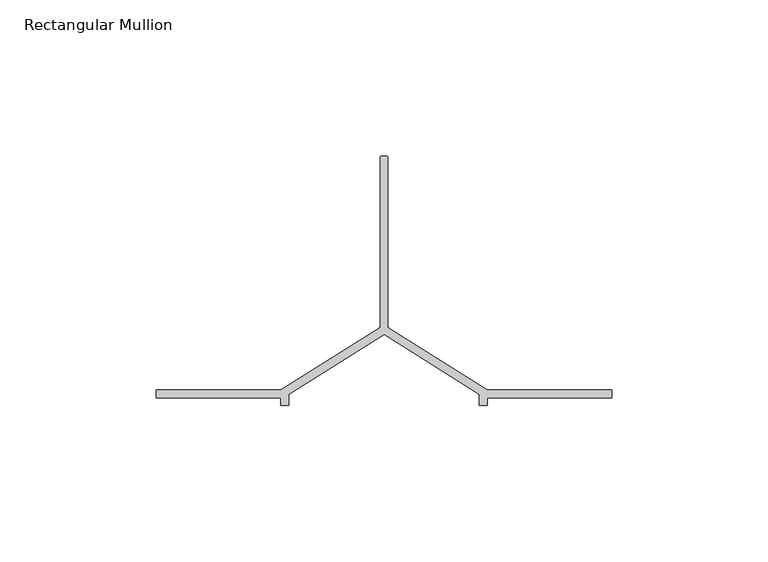
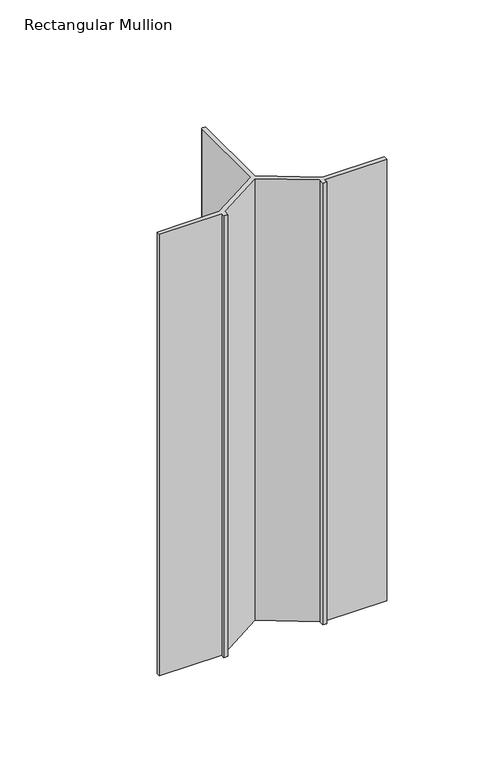
"""IFC4 building model written with IfcOpenShell, lengths in millimetres: member geometry, Rectangular Mullion."""

from ifc_helpers import new_model, si_unit, point, frame, frame_2d, origin, place, context, project, spatial, polyline, circle_curve, trimmed, segment, composite_curve, outline, extrude, source, transform, mapped, element, save


def rectangular_mullion_ad99e8e6(model_context):
    return source(origin(), model_context, "Body", "SweptSolid", [
        extrude(outline(composite_curve([segment(trimmed(circle_curve(frame_2d((-72.25, -69.0)), 0.5), [point((-72.25, -68.5))], [point((-71.75, -69.0))], False, "CARTESIAN"), True, "CONTINUOUS"), segment(polyline([(-71.75, -69.0), (-71.75, -123.5), (-40.0, -143.5), (0.0, -143.5), (0.0, -146.0), (-40.0, -146.0), (-40.0, -148.5), (-42.5, -148.5), (-42.5, -144.879855), (-73.0, -125.6672566), (-103.5, -144.879855), (-103.5, -148.5), (-106.0, -148.5), (-106.0, -146.0), (-146.0, -146.0), (-146.0, -143.5), (-106.0, -143.5), (-74.25, -123.5), (-74.25, -69.0)]), True, "CONTINUOUS"), segment(trimmed(circle_curve(frame_2d((-73.75, -69.0)), 0.5), [point((-74.25, -69.0))], [point((-73.75, -68.5))], False, "CARTESIAN"), True, "CONTINUOUS"), segment(polyline([(-73.75, -68.5), (-72.25, -68.5)]), True, "CONTINUOUS")], self_intersect=False)), frame((0.0, 0.0, -300.0), z_axis=(0.0, 0.0, 1.0), x_axis=(1.0, 0.0, 0.0)), (0.0, 0.0, 1.0), 300.0),
    ])


if __name__ == "__main__":
    model = new_model("IFC4")
    model_context = context("Model", 3, world=origin())
    ifc_project = project(units=[si_unit("LENGTHUNIT", "METRE", prefix="MILLI")], contexts=[model_context])
    site = spatial("IfcSite", under=ifc_project)
    building = spatial("IfcBuilding", under=site)
    placement = place(None, origin())
    rectangular_mullion_shape = rectangular_mullion_ad99e8e6(model_context)
    element("IfcMember", 1, ObjectType="Rectangular Mullion", at=placement, inside=building, context=model_context, shape_type="MappedRepresentation", body=[
        mapped(rectangular_mullion_shape, transform((0.0, 0.0, 0.0), x_axis=(1.0, 0.0, 0.0), y_axis=(0.0, 1.0, 0.0), z_axis=(0.0, 0.0, 1.0))),
    ])
    save(model, "model.ifc")
